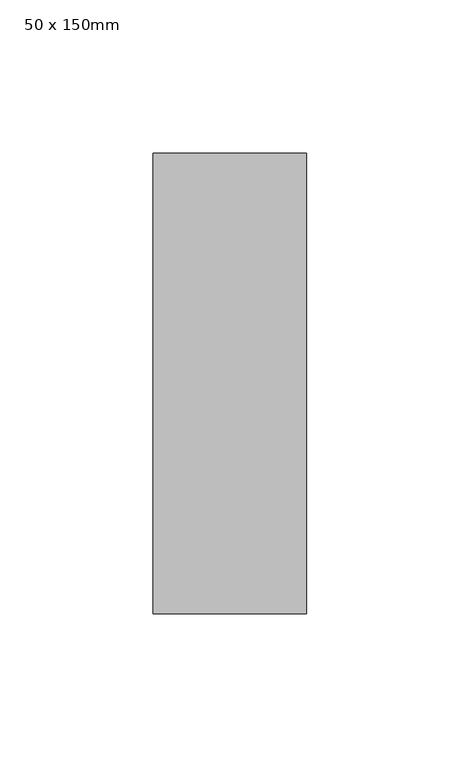
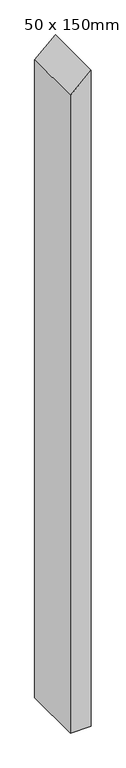
"""IFC4 building model written with IfcOpenShell, lengths in millimetres: member geometry, 50 x 150mm."""

from ifc_helpers import new_model, si_unit, frame, origin, place, context, project, spatial, polyline, outline, extrude, source, transform, mapped, element, save


def member_50_x_150mm_025237b8(model_context):
    return source(origin(), model_context, "Body", "SweptSolid", [
        extrude(outline(polyline([(0.0, 0.0), (-46.2593089, -50.0), (-1680.0666321, -50.0), (-1680.0666321, 0.0), (0.0, 0.0)])), frame((0.0, -75.0, 0.0), z_axis=(0.0, 1.0, 0.0), x_axis=(0.0, 0.0, 1.0)), (0.0, 0.0, 1.0), 150.0),
    ])


if __name__ == "__main__":
    model = new_model("IFC4")
    model_context = context("Model", 3, world=origin())
    ifc_project = project(units=[si_unit("LENGTHUNIT", "METRE", prefix="MILLI")], contexts=[model_context])
    site = spatial("IfcSite", under=ifc_project)
    building = spatial("IfcBuilding", under=site)
    placement = place(None, origin())
    member_50_x_150mm_shape = member_50_x_150mm_025237b8(model_context)
    element("IfcMember", 1, ObjectType="50 x 150mm", at=placement, inside=building, context=model_context, shape_type="MappedRepresentation", body=[
        mapped(member_50_x_150mm_shape, transform((0.0, 0.0, 0.0), x_axis=(1.0, 0.0, 0.0), y_axis=(0.0, 1.0, 0.0), z_axis=(0.0, 0.0, 1.0))),
    ])
    save(model, "model.ifc")
